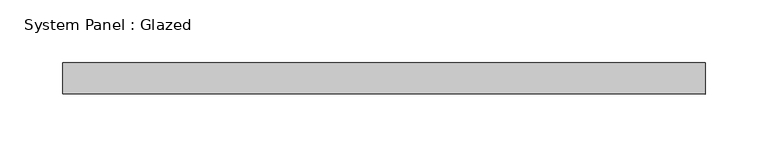
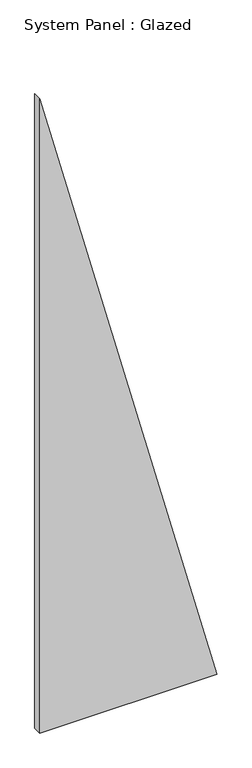
"""IFC4 building model written with IfcOpenShell, lengths in millimetres: plate geometry, System Panel : Glazed."""

from ifc_helpers import new_model, si_unit, frame, origin, place, context, project, spatial, polyline, outline, extrude, source, transform, mapped, element, save


def system_panel_glazed_93528a0b(model_context):
    return source(origin(), model_context, "Body", "SweptSolid", [
        extrude(outline(polyline([(0.0, -257.142857), (0.0, 257.142857), (1945.9459448, -257.142857), (0.0, -257.142857)])), frame((0.0, 24.5, 0.0), z_axis=(0.0, 1.0, 0.0), x_axis=(0.0, 0.0, 1.0)), (0.0, 0.0, 1.0), 25.0),
    ])


if __name__ == "__main__":
    model = new_model("IFC4")
    model_context = context("Model", 3, world=origin())
    ifc_project = project(units=[si_unit("LENGTHUNIT", "METRE", prefix="MILLI")], contexts=[model_context])
    site = spatial("IfcSite", under=ifc_project)
    building = spatial("IfcBuilding", under=site)
    placement = place(None, origin())
    system_panel_glazed_shape = system_panel_glazed_93528a0b(model_context)
    element("IfcPlate", 1, ObjectType="System Panel : Glazed", at=placement, inside=building, context=model_context, shape_type="MappedRepresentation", body=[
        mapped(system_panel_glazed_shape, transform((0.0, 0.0, 0.0), x_axis=(1.0, 0.0, 0.0), y_axis=(0.0, 1.0, 0.0), z_axis=(0.0, 0.0, 1.0))),
    ])
    save(model, "model.ifc")
